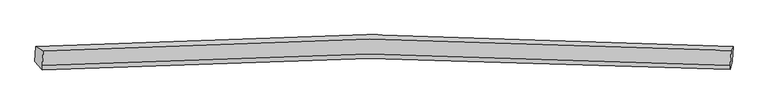
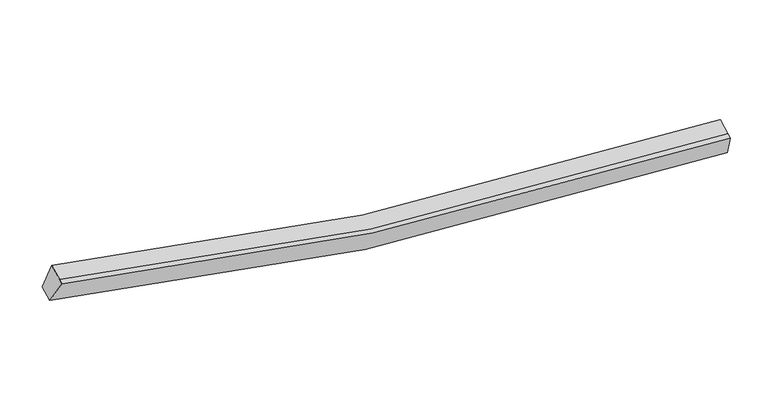
"""IFC4 building model written with IfcOpenShell, lengths in millimetres: proxy geometry."""

from ifc_helpers import new_model, si_unit, frame, origin, place, context, project, spatial, source, transform, mapped, element, save
from ifc_brep_helpers import plane_surface, spline_curve, spline_surface, advanced_brep


def generic_models_cb550943(model_context):
    return source(origin(), model_context, "Body", "AdvancedBrep", [
        advanced_brep(
        [(-9602.5892844, -1864.3978051, 4329.9137596), (-9383.4713223, -1986.0730765, 4999.8923864), (10685.6325443, -1972.1402164, 2600.1974199), (10743.7342113, -1850.1724793, 1897.7467235), (-9403.4683213, -2418.5374784, 4825.2795026), (10665.6355453, -2404.6046184, 2425.5845361), (-9409.465532, -2548.2359444, 4772.912133), (10659.6383347, -2534.3030843, 2373.2171665), (-9622.2747899, -2290.1257026, 4158.0208233), (10724.0487059, -2275.9003768, 1725.8537872)],
        [
            (0, 1),
            (1, 2, spline_curve(3, [(-9383.4713223, -1986.0730765, 4999.8923864), (-6234.765560461, -1765.883448718, 4111.296275989), (-3056.255074102, -1650.306646605, 3464.925162534), (3628.261189746, -1627.463230524, 2622.887800035), (7139.451992383, -1738.39574536, 2469.360590218), (10685.6325443, -1972.1402164, 2600.1974199)], [4, 2, 4], [0.0, 32.164308526783344, 67.01425183713803])),
            (2, 3),
            (3, 0, spline_curve(3, [(10743.7342113, -1850.1724793, 1897.7467235), (7147.581174461, -1612.813923931, 1763.681819077), (3587.415106746, -1500.173148172, 1918.586915764), (-3189.359925559, -1523.396472514, 2772.130846451), (-6411.301689833, -1640.77902245, 3427.9480944), (-9602.5892844, -1864.3978051, 4329.9137596)], [4, 2, 4], [0.0, 34.84994331035469, 67.01425183713803])),
            (1, 4),
            (4, 5, spline_curve(3, [(-9403.4683213, -2418.5374784, 4825.2795026), (-6254.762559813, -2198.347850646, 3936.683392059), (-3076.252073363, -2082.771049217, 3290.312278921), (3608.264191029, -2059.92763186, 2448.274916033), (7119.454994079, -2170.860148151, 2294.747706075), (10665.6355453, -2404.6046184, 2425.5845361)], [4, 2, 4], [0.0, 31.943469063245228, 66.55413339831637])),
            (5, 2),
            (4, 6),
            (6, 7, spline_curve(3, [(-9409.465532, -2548.2359444, 4772.912133), (-6260.759770513, -2328.046316646, 3884.316022459), (-3082.249283963, -2212.469515117, 3237.944909321), (3602.266980429, -2189.62609776, 2395.907546433), (7113.457783479, -2300.558614051, 2242.380336475), (10659.6383347, -2534.3030843, 2373.2171665)], [4, 2, 4], [0.0, 31.943469063245242, 66.5541333983164])),
            (7, 5),
            (6, 8),
            (8, 9, spline_curve(3, [(-9622.2747899, -2290.1257026, 4158.0208233), (-6430.987195333, -2066.50691995, 3256.0551581), (-3209.045431059, -1949.124370014, 2600.237910151), (3567.729601246, -1925.901045672, 1746.693979464), (7127.895669061, -2038.541821431, 1591.788882777), (10724.0487059, -2275.9003768, 1725.8537872)], [4, 2, 4], [0.0, 32.16430852678334, 67.01425183713802])),
            (9, 7),
            (8, 0),
            (3, 9),
        ],
        [
            spline_surface(3, 3, [[(-9602.5892844, -1864.3978051, 4329.9137596), (-6411.301689562, -1640.779022312, 3427.948094731), (-3189.359925734, -1523.396472092, 2772.130846074), (3587.415106936, -1500.17314863, 1918.586916171), (7147.581174968, -1612.813923611, 1763.681819429), (10743.7342113, -1850.1724793, 1897.7467235)], [(-9529.549963696, -1904.956228898, 4553.239968542), (-6352.456313215, -1682.480497841, 3655.73082176), (-3144.991641965, -1565.69986366, 3003.06228501), (3601.030468, -1542.603175892, 2153.353877325), (7144.871447594, -1654.674531032, 1998.908076398), (10724.366988956, -1890.828391693, 2131.896955609)], [(-9456.510643004, -1945.514652702, 4776.566177458), (-6293.610936881, -1724.181973375, 3883.513548762), (-3100.623358211, -1608.00325518, 3233.993723958), (3614.64582905, -1585.033203106, 2388.120838492), (7142.161720252, -1696.535138373, 2234.134333441), (10704.999766644, -1931.484304007, 2366.047187791)], [(-9383.4713223, -1986.0730765, 4999.8923864), (-6234.765560535, -1765.883448904, 4111.296275791), (-3056.255074443, -1650.306646748, 3464.925162894), (3628.261190115, -1627.463230369, 2622.887799646), (7139.451992878, -1738.395745795, 2469.36059041), (10685.6325443, -1972.1402164, 2600.1974199)]], [4, 4], [4, 2, 4], [0.0, 2.346833171786978], [0.0, 32.164308526783344, 67.01425183713803]),
            spline_surface(3, 3, [[(-9383.4713223, -1986.0730765, 4999.8923864), (-6234.765560535, -1765.883448904, 4111.296275791), (-3056.255074443, -1650.306646748, 3464.925162894), (3628.261190115, -1627.463230369, 2622.887799646), (7139.451992878, -1738.395745795, 2469.36059041), (10685.6325443, -1972.1402164, 2600.1974199)], [(-9390.136988646, -2130.227877146, 4941.688091801), (-6241.431226881, -1910.03824955, 4053.091981191), (-3062.920740789, -1794.461447394, 3406.720868294), (3621.595523768, -1771.618031014, 2564.683505046), (7132.786326532, -1882.550546441, 2411.156295811), (10678.966877954, -2116.295017046, 2541.993125301)], [(-9396.802654954, -2274.382677754, 4883.483797199), (-6248.096893189, -2054.193050158, 3994.88768659), (-3069.586407096, -1938.616248102, 3348.516573693), (3614.929857461, -1915.772831723, 2506.479210445), (7126.120660224, -2026.705347149, 2352.95200121), (10672.301211646, -2260.449817754, 2483.788830699)], [(-9403.4683213, -2418.5374784, 4825.2795026), (-6254.762559535, -2198.347850804, 3936.683391991), (-3076.252073443, -2082.771048748, 3290.312279094), (3608.264191115, -2059.927632369, 2448.274915846), (7119.454993878, -2170.860147795, 2294.74770661), (10665.6355453, -2404.6046184, 2425.5845361)]], [4, 4], [4, 2, 4], [0.0, 1.531540896621369], [0.0, 31.943469063245228, 66.55413339831637]),
            spline_surface(3, 3, [[(-9403.4683213, -2418.5374784, 4825.2795026), (-6254.762559535, -2198.347850804, 3936.683391991), (-3076.252073443, -2082.771048748, 3290.312279094), (3608.264191115, -2059.927632369, 2448.274915846), (7119.454993878, -2170.860147795, 2294.74770661), (10665.6355453, -2404.6046184, 2425.5845361)], [(-9405.467391503, -2461.770300382, 4807.823712743), (-6256.761629737, -2241.580672786, 3919.227602133), (-3078.251143645, -2126.003870731, 3272.856489236), (3606.265120912, -2103.160454351, 2430.819125988), (7117.455923675, -2214.092969777, 2277.291916753), (10663.636475097, -2447.837440382, 2408.128746243)], [(-9407.466461797, -2505.003122418, 4790.367922857), (-6258.760700032, -2284.813494822, 3901.771812248), (-3080.25021384, -2169.236692666, 3255.400699351), (3604.266050717, -2146.393276286, 2413.363336103), (7115.456853481, -2257.325791713, 2259.836126868), (10661.637404903, -2491.070262318, 2390.672956357)], [(-9409.465532, -2548.2359444, 4772.912133), (-6260.759770235, -2328.046316804, 3884.316022391), (-3082.249284043, -2212.469514648, 3237.944909494), (3602.266980515, -2189.626098269, 2395.907546246), (7113.457783278, -2300.558613695, 2242.38033701), (10659.6383347, -2534.3030843, 2373.2171665)]], [4, 4], [4, 2, 4], [0.0, 0.45931758530183664], [0.0, 31.943469063245242, 66.5541333983164]),
            spline_surface(3, 3, [[(-9409.465532, -2548.2359444, 4772.912133), (-6260.759770235, -2328.046316804, 3884.316022391), (-3082.249284043, -2212.469514648, 3237.944909494), (3602.266980515, -2189.626098269, 2395.907546246), (7113.457783278, -2300.558613695, 2242.38033701), (10659.6383347, -2534.3030843, 2373.2171665)], [(-9480.401951317, -2462.199197139, 4567.94836308), (-6317.502245194, -2240.866517813, 3674.895734384), (-3124.514666425, -2124.687799618, 3025.375909581), (3590.754520837, -2101.717747544, 2179.503024114), (7118.270412039, -2213.219682811, 2025.516519064), (10681.108458431, -2448.168848444, 2157.429373414)], [(-9551.338370583, -2376.162449861, 4362.98459322), (-6374.244720102, -2153.686718803, 3465.475446437), (-3166.780048852, -2036.906084622, 2812.806909687), (3579.242061114, -2013.809396855, 1963.098502003), (7123.083040807, -2125.880751994, 1808.652701075), (10702.578582169, -2362.034612656, 1941.641580286)], [(-9622.2747899, -2290.1257026, 4158.0208233), (-6430.987195062, -2066.506919812, 3256.055158431), (-3209.045431234, -1949.124369592, 2600.237909774), (3567.729601436, -1925.90104613, 1746.693979871), (7127.895669568, -2038.541821111, 1591.788883129), (10724.0487059, -2275.9003768, 1725.8537872)]], [4, 4], [4, 2, 4], [0.0, 2.2965557723223844], [0.0, 32.16430852678334, 67.01425183713802]),
            spline_surface(3, 3, [[(-9622.2747899, -2290.1257026, 4158.0208233), (-6430.987195062, -2066.506919812, 3256.055158431), (-3209.045431234, -1949.124369592, 2600.237909774), (3567.729601436, -1925.90104613, 1746.693979871), (7127.895669568, -2038.541821111, 1591.788883129), (10724.0487059, -2275.9003768, 1725.8537872)], [(-9615.712954738, -2148.216403434, 4215.318468734), (-6424.4253599, -1924.597620646, 3313.352803865), (-3202.483596072, -1807.215070426, 2657.535555209), (3574.291436598, -1783.991746964, 1803.991625306), (7134.45750473, -1896.632521945, 1649.086528563), (10730.610541062, -2133.991077634, 1783.151432634)], [(-9609.151119562, -2006.307104266, 4272.616114166), (-6417.863524724, -1782.688321477, 3370.650449297), (-3195.921760896, -1665.305771257, 2714.83320064), (3580.853271774, -1642.082447796, 1861.289270737), (7141.019339806, -1754.723222776, 1706.384173995), (10737.172376138, -1992.081778466, 1840.449078066)], [(-9602.5892844, -1864.3978051, 4329.9137596), (-6411.301689562, -1640.779022312, 3427.948094731), (-3189.359925734, -1523.396472092, 2772.130846074), (3587.415106936, -1500.17314863, 1918.586916171), (7147.581174968, -1612.813923611, 1763.681819429), (10743.7342113, -1850.1724793, 1897.7467235)]], [4, 4], [4, 2, 4], [0.0, 1.5076840612297744], [0.0, 32.38514833085747, 67.47437098546555]),
            plane_surface(frame((10703.263449, -2158.1290392, 2149.2537743), z_axis=(0.9948357886298582, -0.07403445140557387, 0.06943092730393116), x_axis=(0.09201481598887082, 0.3691467250952512, -0.9248048275122623))),
            plane_surface(frame((-9504.4502321, -2172.2081321, 4565.1847756), z_axis=(-0.951704224711033, -0.07608804463306595, 0.2974385283232288), x_axis=(-0.0428372186275271, -0.9264176139066708, -0.374052639803181))),
        ],
        [
            (0, [[1, 2, 3, 4]]),
            (1, [[5, 6, 7, -2]]),
            (2, [[8, 9, 10, -6]]),
            (3, [[11, 12, 13, -9]]),
            (4, [[14, -4, 15, -12]]),
            (5, [[-13, -15, -3, -7, -10]]),
            (6, [[-14, -11, -8, -5, -1]]),
        ],
    ),
    ])


if __name__ == "__main__":
    model = new_model("IFC4")
    model_context = context("Model", 3, world=origin())
    ifc_project = project(units=[si_unit("LENGTHUNIT", "METRE", prefix="MILLI")], contexts=[model_context])
    site = spatial("IfcSite", under=ifc_project)
    building = spatial("IfcBuilding", under=site)
    placement = place(None, origin())
    generic_models_shape = generic_models_cb550943(model_context)
    element("IfcBuildingElementProxy", 1, Name="Generic Models", at=placement, inside=building, context=model_context, shape_type="MappedRepresentation", body=[
        mapped(generic_models_shape, transform((0.0, 0.0, 0.0), x_axis=(1.0, 0.0, 0.0), y_axis=(0.0, 1.0, 0.0), z_axis=(0.0, 0.0, 1.0))),
    ])
    save(model, "model.ifc")
